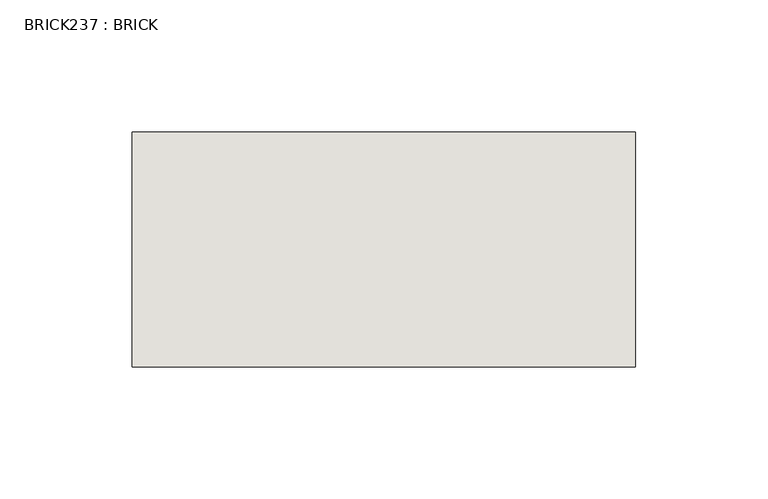
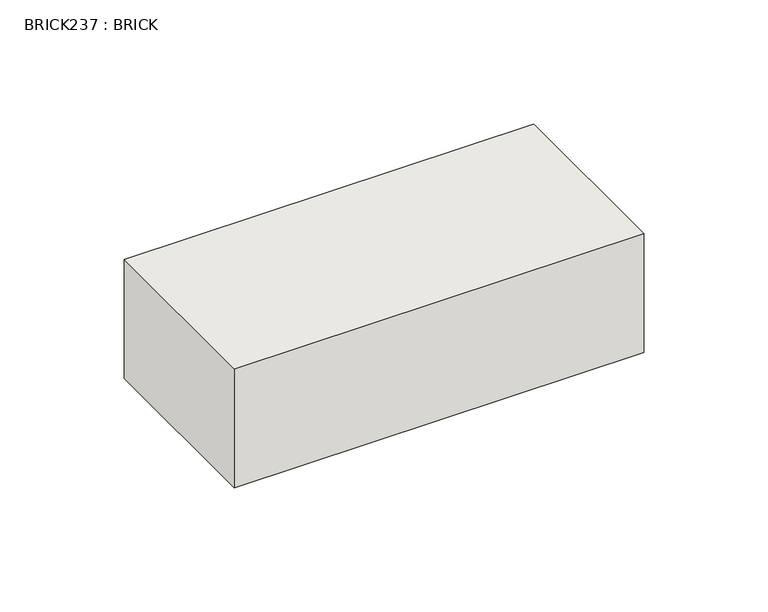
"""IFC4 building model written with IfcOpenShell, lengths in millimetres: wall geometry, BRICK237 : BRICK."""

from ifc_helpers import new_model, si_unit, frame, origin, place, context, project, spatial, polyline, outline, extrude, source, transform, mapped, element, save


def brick237_brick_fdbaaac7(model_context):
    return source(origin(), model_context, "Body", "SweptSolid", [
        extrude(outline(polyline([(-1784.7316239, 3062.3923312), (-1594.2316239, 3062.3923312), (-1594.2316239, 2973.4923312), (-1784.7316239, 2973.4923312), (-1784.7316239, 3062.3923312)])), frame((0.0, 0.0, 214.0148438), z_axis=(0.0, 0.0, 1.0), x_axis=(1.0, 0.0, 0.0)), (0.0, 0.0, 1.0), 58.4398437),
    ])


if __name__ == "__main__":
    model = new_model("IFC4")
    model_context = context("Model", 3, world=origin())
    ifc_project = project(units=[si_unit("LENGTHUNIT", "METRE", prefix="MILLI")], contexts=[model_context])
    site = spatial("IfcSite", under=ifc_project)
    building = spatial("IfcBuilding", under=site)
    placement = place(None, origin())
    brick237_brick_shape = brick237_brick_fdbaaac7(model_context)
    element("IfcWall", 1, ObjectType="BRICK237 : BRICK", at=placement, inside=building, context=model_context, shape_type="MappedRepresentation", body=[
        mapped(brick237_brick_shape, transform((0.0, 0.0, 0.0), x_axis=(1.0, 0.0, 0.0), y_axis=(0.0, 1.0, 0.0), z_axis=(0.0, 0.0, 1.0))),
    ])
    save(model, "model.ifc")
